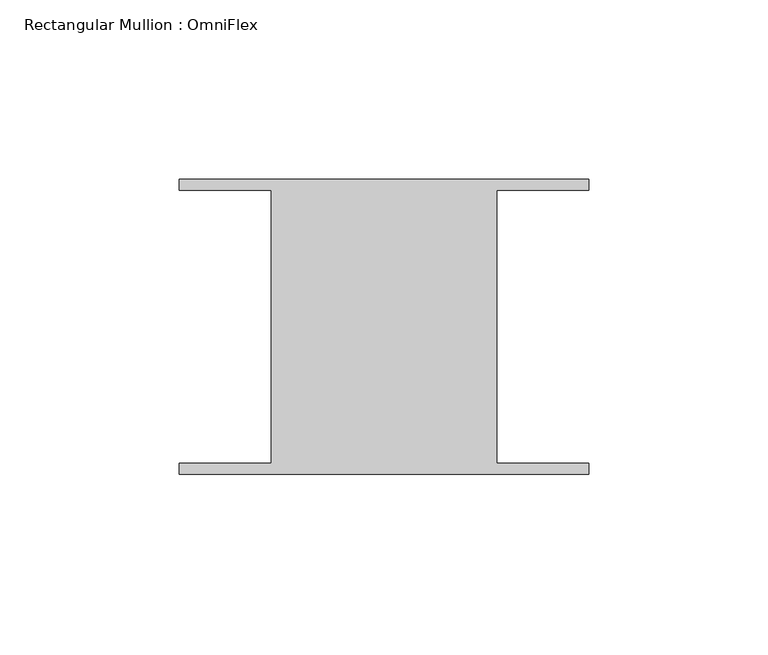
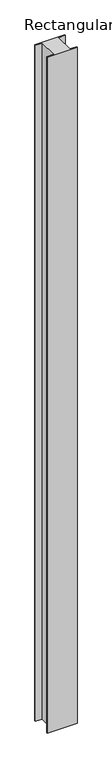
"""IFC4 building model written with IfcOpenShell, lengths in millimetres: member geometry, Rectangular Mullion : OmniFlex."""

from ifc_helpers import new_model, si_unit, frame, origin, place, context, project, spatial, polyline, outline, extrude, source, transform, mapped, element, save


def rectangular_mullion_omniflex_f20c89b8(model_context):
    return source(origin(), model_context, "Body", "SweptSolid", [
        extrude(outline(polyline([(-57.15, 38.0620588), (-57.15, 41.13784), (57.15, 41.13784), (57.15, 38.0620587), (31.4523437, 38.0620588), (31.4523437, -38.0620587), (57.15, -38.0620588), (57.15, -41.13784), (-57.15, -41.13784), (-57.15, -38.0620587), (-31.4523438, -38.0620587), (-31.4523438, 38.0620588), (-57.15, 38.0620588)])), frame((0.0, 0.0, -2743.2), z_axis=(0.0, 0.0, 1.0), x_axis=(1.0, 0.0, 0.0)), (0.0, 0.0, 1.0), 2743.2),
    ])


if __name__ == "__main__":
    model = new_model("IFC4")
    model_context = context("Model", 3, world=origin())
    ifc_project = project(units=[si_unit("LENGTHUNIT", "METRE", prefix="MILLI")], contexts=[model_context])
    site = spatial("IfcSite", under=ifc_project)
    building = spatial("IfcBuilding", under=site)
    placement = place(None, origin())
    rectangular_mullion_omniflex_shape = rectangular_mullion_omniflex_f20c89b8(model_context)
    element("IfcMember", 1, ObjectType="Rectangular Mullion : OmniFlex", at=placement, inside=building, context=model_context, shape_type="MappedRepresentation", body=[
        mapped(rectangular_mullion_omniflex_shape, transform((0.0, 0.0, 0.0), x_axis=(1.0, 0.0, 0.0), y_axis=(0.0, 1.0, 0.0), z_axis=(0.0, 0.0, 1.0))),
    ])
    save(model, "model.ifc")
